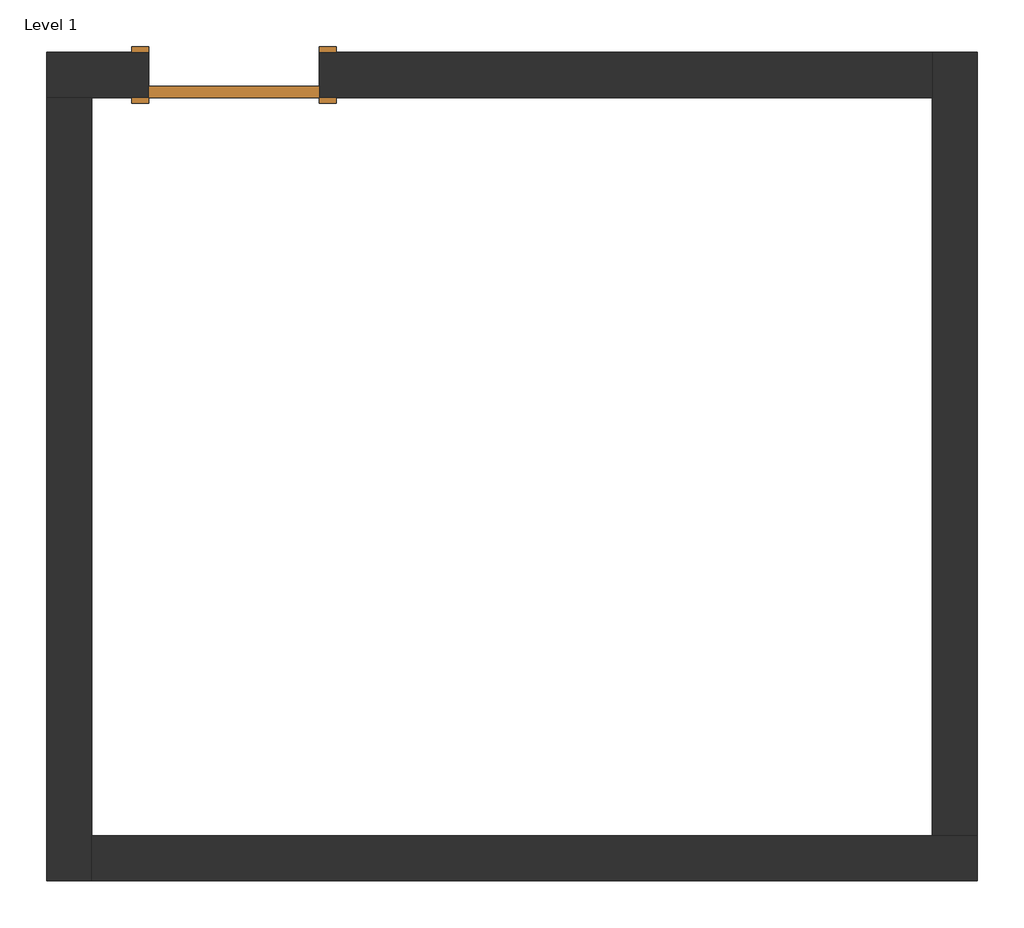
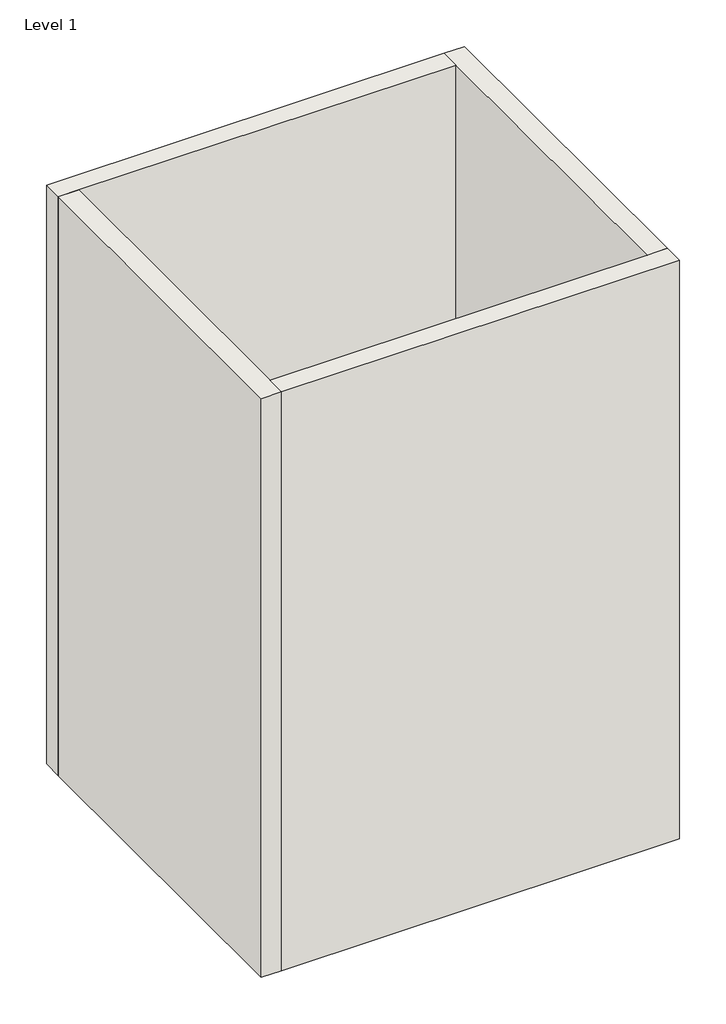
# One storey: 4 walls, 1 door.
"""IFC4 building model written with IfcOpenShell, lengths in millimetres."""

import ifcopenshell
import ifcopenshell.guid

model = None  # the IFC model being written
_history = None  # IfcOwnerHistory: only IFC2X3 demands one
_inside = {}  # id of a spatial element -> (the spatial element, [elements in it])
_under = {}  # id of a project, library or spatial element -> (it, [spatial elements below it])
_declared = {}  # id of a project -> (the project, [libraries it declares])
_typed = {}  # id of a type object -> (the type object, [elements of that type])
_made_of = {}  # id of a material, layer set ... -> (it, [elements and type objects made of it])


def new_model(schema):
    """Start an empty IFC model of exactly this schema.

    Asked for "IFC4X3", IfcOpenShell would pick the latest addendum, in which some entities
    have other attributes; the version numbers below select the first issue.
    IFC2X3 requires an IfcOwnerHistory on every rooted entity: one is made here for all.
    """
    global model, _history
    if schema == "IFC4X3":
        model = ifcopenshell.file(schema_version=(4, 3, 0, 0))
    else:
        model = ifcopenshell.file(schema=schema)
    _inside.clear()
    _under.clear()
    _declared.clear()
    _typed.clear()
    _made_of.clear()
    _history = None
    if model.schema == "IFC2X3":
        org = make("IfcOrganization", Name="unknown")
        user = make(
            "IfcPersonAndOrganization",
            ThePerson=make("IfcPerson", FamilyName="unknown"),
            TheOrganization=org,
        )
        app = make(
            "IfcApplication",
            ApplicationDeveloper=org,
            Version="unknown",
            ApplicationFullName="unknown",
            ApplicationIdentifier="unknown",
        )
        _history = make(
            "IfcOwnerHistory",
            OwningUser=user,
            OwningApplication=app,
            ChangeAction="ADDED",
            CreationDate=0,
        )
    return model


def make(cls, **values):
    """One entity of the class cls with the attributes given. An attribute that is None is left unset."""
    return model.create_entity(
        cls, **{name: value for name, value in values.items() if value is not None}
    )


def rooted(cls, **values):
    """An entity with a GlobalId (a new one), such as an element, a storey or a relation."""
    return make(cls, GlobalId=ifcopenshell.guid.new(), OwnerHistory=_history, **values)


def si_unit(unit_type, name, prefix=None):
    """IfcSIUnit, for example si_unit("LENGTHUNIT", "METRE", prefix="MILLI")."""
    return make("IfcSIUnit", UnitType=unit_type, Prefix=prefix, Name=name)


def assignment(units):
    """IfcUnitAssignment: the units of a project."""
    return None if units is None else make("IfcUnitAssignment", Units=units)


def point(xyz):
    """IfcCartesianPoint."""
    return None if xyz is None else make("IfcCartesianPoint", Coordinates=xyz)


def direction(xyz):
    """IfcDirection."""
    return None if xyz is None else make("IfcDirection", DirectionRatios=xyz)


def frame(location, z_axis=None, x_axis=None):
    """IfcAxis2Placement3D, a coordinate frame: its origin and axes. An axis left out is left unset."""
    return make(
        "IfcAxis2Placement3D",
        Location=point(location),
        Axis=direction(z_axis),
        RefDirection=direction(x_axis),
    )


def origin():
    """The frame at (0, 0, 0) with its axes left unset."""
    return frame((0.0, 0.0, 0.0))


def origin_with_axes():
    """The frame at (0, 0, 0) with the z axis (0, 0, 1) and the x axis (1, 0, 0) written out."""
    return frame((0.0, 0.0, 0.0), z_axis=(0.0, 0.0, 1.0), x_axis=(1.0, 0.0, 0.0))


def place(relative_to, where):
    """IfcLocalPlacement: puts the frame where relative to a parent placement (None: the world)."""
    return make(
        "IfcLocalPlacement", PlacementRelTo=relative_to, RelativePlacement=where
    )


def context(
    kind, dimensions, precision=None, world=None, true_north=None, identifier=None
):
    """IfcGeometricRepresentationContext, for example the 3D "Model" context."""
    return make(
        "IfcGeometricRepresentationContext",
        ContextIdentifier=identifier,
        ContextType=kind,
        CoordinateSpaceDimension=dimensions,
        Precision=precision,
        WorldCoordinateSystem=world,
        TrueNorth=true_north,
    )


def project(units=None, contexts=None):
    """IfcProject with its units and contexts."""
    return rooted(
        "IfcProject",
        Name="project",
        RepresentationContexts=contexts,
        UnitsInContext=assignment(units),
    )


def spatial(cls, under=None, at=None, **own):
    """A site, building, storey or space (cls), placed at a placement, below another one or the project."""
    s = rooted(cls, ObjectPlacement=at, **own)
    if under is not None:
        _under.setdefault(under.id(), (under, []))[1].append(s)
    return s


def polyline(points):
    """IfcPolyline through the points."""
    return make("IfcPolyline", Points=[point(p) for p in points])


def outline(outer, holes=None, kind="AREA"):
    """IfcArbitraryClosedProfileDef: a profile drawn as a closed curve; with holes, ...WithVoids."""
    if holes is None:
        return make("IfcArbitraryClosedProfileDef", ProfileType=kind, OuterCurve=outer)
    return make(
        "IfcArbitraryProfileDefWithVoids",
        ProfileType=kind,
        OuterCurve=outer,
        InnerCurves=holes,
    )


def extrude(swept, where, along, depth):
    """IfcExtrudedAreaSolid: the profile swept, set in the frame where, extruded along a direction by depth."""
    return make(
        "IfcExtrudedAreaSolid",
        SweptArea=swept,
        Position=where,
        ExtrudedDirection=direction(along),
        Depth=depth,
    )


def faces_of(points, faces, orient=None, outer=None):
    """IfcFace entities. A face is a list of loops; a loop is a list of indices into points, from 0.

    orient and outer hold one flag for each loop. By default every Orientation is true, the
    first loop of a face is its IfcFaceOuterBound and the others are IfcFaceBound.
    """
    made = []
    for i, loops in enumerate(faces):
        bounds = []
        for j, loop in enumerate(loops):
            is_outer = j == 0 if outer is None else outer[i][j]
            bounds.append(
                make(
                    "IfcFaceOuterBound" if is_outer else "IfcFaceBound",
                    Bound=make("IfcPolyLoop", Polygon=[points[k] for k in loop]),
                    Orientation=True if orient is None else orient[i][j],
                )
            )
        made.append(make("IfcFace", Bounds=bounds))
    return made


def faceted_brep(points, faces, orient=None, outer=None, voids=None):
    """IfcFacetedBrep: a solid bounded by flat faces; with voids (closed shells), ...WithVoids."""
    shared = [point(p) for p in points]
    hull = make("IfcClosedShell", CfsFaces=faces_of(shared, faces, orient, outer))
    if voids is None:
        return make("IfcFacetedBrep", Outer=hull)
    return make(
        "IfcFacetedBrepWithVoids",
        Outer=hull,
        Voids=[
            make(cls, CfsFaces=faces_of(shared, fs, o, b)) for cls, fs, o, b in voids
        ],
    )


def shape(context_of_items, identifier, shape_type, items):
    """IfcShapeRepresentation: the items that make up one representation, for example the "Body"."""
    return make(
        "IfcShapeRepresentation",
        ContextOfItems=context_of_items,
        RepresentationIdentifier=identifier,
        RepresentationType=shape_type,
        Items=items,
    )


def source(mapping_origin, context_of_items, identifier, shape_type, items):
    """IfcRepresentationMap: a shape defined once, which mapped items show again and again."""
    return make(
        "IfcRepresentationMap",
        MappingOrigin=mapping_origin,
        MappedRepresentation=shape(context_of_items, identifier, shape_type, items),
    )


def transform(
    local_origin,
    x_axis=None,
    y_axis=None,
    z_axis=None,
    scale=None,
    scale2=None,
    scale3=None,
    uniform=True,
):
    """IfcCartesianTransformationOperator3D, or its non-uniform kind. x_axis, y_axis, z_axis: its Axis1, 2, 3."""
    if uniform:
        return make(
            "IfcCartesianTransformationOperator3D",
            Axis1=direction(x_axis),
            Axis2=direction(y_axis),
            LocalOrigin=point(local_origin),
            Scale=scale,
            Axis3=direction(z_axis),
        )
    return make(
        "IfcCartesianTransformationOperator3DnonUniform",
        Axis1=direction(x_axis),
        Axis2=direction(y_axis),
        LocalOrigin=point(local_origin),
        Scale=scale,
        Axis3=direction(z_axis),
        Scale2=scale2,
        Scale3=scale3,
    )


def mapped(mapping_source, mapping_target):
    """IfcMappedItem: shows the shape of a source again, moved by a transform."""
    return make(
        "IfcMappedItem", MappingSource=mapping_source, MappingTarget=mapping_target
    )


def made_of(thing, what):
    """Note that an element or type object is made of a material, layer set ...; save() writes the relation."""
    if what is not None:
        _made_of.setdefault(what.id(), (what, []))[1].append(thing)
    return thing


def element(
    cls,
    number,
    at=None,
    inside=None,
    cuts=None,
    type_object=None,
    material=None,
    context=None,
    identifier="Body",
    shape_type=None,
    held_by="IfcProductDefinitionShape",
    body=None,
    shapes=None,
    **own,
):
    """One element of the class cls, such as IfcWall. Its Tag is "e" and its number.

    at: its placement. inside: the storey or other place that contains it. cuts: it is an
    opening in that element (IfcRelVoidsElement). A single representation is given by context,
    identifier, shape_type and body (its items); several are given by shapes. held_by: the class
    of the entity that holds the representations. save() writes the other relations.
    """
    e = rooted(cls, Tag="e%d" % number, ObjectPlacement=at, **own)
    if body is not None:
        shapes = [shape(context, identifier, shape_type, body)]
    if shapes is not None:
        e.Representation = make(held_by, Representations=shapes)
    if inside is not None:
        _inside.setdefault(inside.id(), (inside, []))[1].append(e)
    if cuts is not None:
        rooted(
            "IfcRelVoidsElement", RelatingBuildingElement=cuts, RelatedOpeningElement=e
        )
    if type_object is not None:
        _typed.setdefault(type_object.id(), (type_object, []))[1].append(e)
    return made_of(e, material)


def aggregate(whole, parts):
    """IfcRelAggregates: a whole, such as a stair, and the parts it consists of."""
    return rooted("IfcRelAggregates", RelatingObject=whole, RelatedObjects=parts)


def save(model, path):
    """Write the relations noted so far, then the file.

    IfcRelAggregates (storeys below a building ...), IfcRelContainedInSpatialStructure (elements
    in a storey), IfcRelDefinesByType, IfcRelAssociatesMaterial and IfcRelDeclares: one each for
    every whole, place, type object, material and project.
    """
    for whole, parts in _under.values():
        aggregate(whole, parts)
    for where, things in _inside.values():
        rooted(
            "IfcRelContainedInSpatialStructure",
            RelatedElements=things,
            RelatingStructure=where,
        )
    for kind, things in _typed.values():
        rooted("IfcRelDefinesByType", RelatedObjects=things, RelatingType=kind)
    for what, things in _made_of.values():
        rooted("IfcRelAssociatesMaterial", RelatedObjects=things, RelatingMaterial=what)
    for by, libraries in _declared.values():
        rooted("IfcRelDeclares", RelatingContext=by, RelatedDefinitions=libraries)
    model.write(path)


def door_1a782ffc(model_context):
    return source(origin(), model_context, "Body", "SweptSolid", [
        extrude(outline(polyline([(381.0, 50.8), (-381.0, 50.8), (-381.0, 101.6), (381.0, 101.6), (381.0, 50.8)])), origin_with_axes(), (0.0, 0.0, 1.0), 2032.0),
        extrude(outline(polyline([(2108.2, -457.2), (0.0, -457.2), (0.0, -381.0), (2032.0, -381.0), (2032.0, 381.0), (0.0, 381.0), (0.0, 457.2), (2108.2, 457.2), (2108.2, -457.2)])), frame((0.0, 101.6, 0.0), z_axis=(0.0, 1.0, 0.0), x_axis=(0.0, 0.0, 1.0)), (0.0, 0.0, 1.0), 25.4),
        extrude(outline(polyline([(2108.2, 457.2), (2108.2, -457.2), (0.0, -457.2), (0.0, -381.0), (2032.0, -381.0), (2032.0, 381.0), (0.0, 381.0), (0.0, 457.2), (2108.2, 457.2)])), frame((0.0, -127.0, 0.0), z_axis=(0.0, 1.0, 0.0), x_axis=(0.0, 0.0, 1.0)), (0.0, 0.0, 1.0), 25.4),
    ])


model = new_model("IFC4")

# Units and contexts
model_context = context("Model", 3, world=origin())
ifc_project = project(units=[si_unit("LENGTHUNIT", "METRE", prefix="MILLI")], contexts=[model_context])

# Site, building, storey
site = spatial("IfcSite", under=ifc_project)
building = spatial("IfcBuilding", under=site)
storey = spatial("IfcBuildingStorey", under=building, Name="Level 1", Elevation=0.0)

# Door
placement = place(None, origin())
door_shape = door_1a782ffc(model_context)
element("IfcDoor", 1, ObjectType="Door-Single-Panel : 30\" x 80\"", at=placement, inside=storey, context=model_context, shape_type="MappedRepresentation", body=[
    mapped(door_shape, transform((2053.1868735, 3192.2162291, 0.0), x_axis=(-1.0, 0.0, 0.0), y_axis=(0.0, -1.0, 0.0), z_axis=(0.0, 0.0, 1.0))),
])

# Walls
element("IfcWall", 2, ObjectType="Wall", at=placement, inside=storey, context=model_context, shape_type="Brep", body=[
    faceted_brep([(1214.9868735, 3090.6162291, 0.0), (1418.1868735, 3090.6162291, 0.0), (1672.1868735, 3090.6162291, 0.0), (1672.1868735, 3090.6162291, 2032.0), (2434.1868735, 3090.6162291, 2032.0), (2434.1868735, 3090.6162291, 0.0), (5177.3868735, 3090.6162291, 0.0), (5177.3868735, 3090.6162291, 6096.0), (1418.1868735, 3090.6162291, 6096.0), (1214.9868735, 3090.6162291, 6096.0), (1672.1868735, 3293.8162291, 2032.0), (1672.1868735, 3293.8162291, 0.0), (1214.9868735, 3293.8162291, 0.0), (1214.9868735, 3293.8162291, 6096.0), (5177.3868735, 3293.8162291, 6096.0), (5177.3868735, 3293.8162291, 0.0), (2434.1868735, 3293.8162291, 0.0), (2434.1868735, 3293.8162291, 2032.0)], [[[0, 1, 2, 3, 4, 5, 6, 7, 8, 9]], [[10, 11, 12, 13, 14, 15, 16, 17]], [[16, 15, 6, 5]], [[12, 11, 2, 1, 0]], [[9, 8, 7, 14, 13]], [[0, 9, 13, 12]], [[7, 6, 15, 14]], [[3, 2, 11, 10]], [[4, 3, 10, 17]], [[5, 4, 17, 16]]]),
])
element("IfcWall", 3, ObjectType="Wall", at=placement, inside=storey, context=model_context, shape_type="Brep", body=[
    faceted_brep([(1418.1868735, -414.5837709, 0.0), (1418.1868735, -211.3837709, 0.0), (1418.1868735, 3090.6162291, 0.0), (1418.1868735, 3090.6162291, 6096.0), (1418.1868735, -211.3837709, 6096.0), (1418.1868735, -414.5837709, 6096.0), (1214.9868735, -414.5837709, 0.0), (1214.9868735, -414.5837709, 6096.0), (1214.9868735, 3090.6162291, 6096.0), (1214.9868735, 3090.6162291, 0.0)], [[[0, 1, 2, 3, 4, 5]], [[6, 7, 8, 9]], [[2, 1, 0, 6, 9]], [[5, 4, 3, 8, 7]], [[0, 5, 7, 6]], [[3, 2, 9, 8]]]),
])
element("IfcWall", 4, ObjectType="Wall", at=placement, inside=storey, context=model_context, shape_type="Brep", body=[
    faceted_brep([(5380.5868735, -211.3837709, 0.0), (5177.3868735, -211.3837709, 0.0), (1418.1868735, -211.3837709, 0.0), (1418.1868735, -211.3837709, 6096.0), (5177.3868735, -211.3837709, 6096.0), (5380.5868735, -211.3837709, 6096.0), (5380.5868735, -414.5837709, 0.0), (5380.5868735, -414.5837709, 6096.0), (1418.1868735, -414.5837709, 6096.0), (1418.1868735, -414.5837709, 0.0)], [[[0, 1, 2, 3, 4, 5]], [[6, 7, 8, 9]], [[2, 1, 0, 6, 9]], [[5, 4, 3, 8, 7]], [[0, 5, 7, 6]], [[3, 2, 9, 8]]]),
])
element("IfcWall", 5, ObjectType="Wall", at=placement, inside=storey, context=model_context, shape_type="Brep", body=[
    faceted_brep([(5177.3868735, 3293.8162291, 0.0), (5177.3868735, 3090.6162291, 0.0), (5177.3868735, -211.3837709, 0.0), (5177.3868735, -211.3837709, 6096.0), (5177.3868735, 3090.6162291, 6096.0), (5177.3868735, 3293.8162291, 6096.0), (5380.5868735, 3293.8162291, 0.0), (5380.5868735, 3293.8162291, 6096.0), (5380.5868735, -211.3837709, 6096.0), (5380.5868735, -211.3837709, 0.0)], [[[0, 1, 2, 3, 4, 5]], [[6, 7, 8, 9]], [[2, 1, 0, 6, 9]], [[5, 4, 3, 8, 7]], [[0, 5, 7, 6]], [[3, 2, 9, 8]]]),
])

save(model, "model.ifc")
